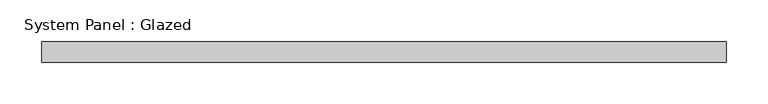
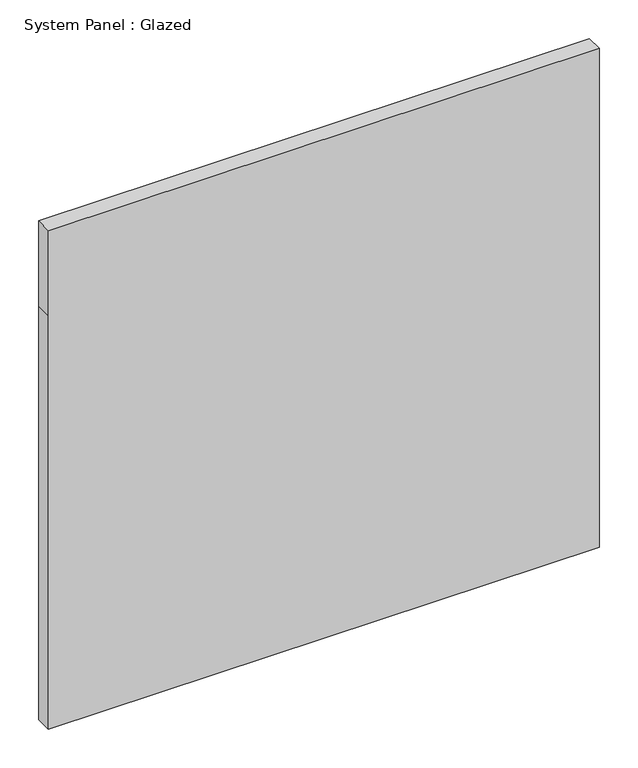
"""IFC4 building model written with IfcOpenShell, lengths in millimetres: plate geometry, System Panel : Glazed."""

from ifc_helpers import new_model, si_unit, frame, origin, place, context, project, spatial, polyline, outline, extrude, source, transform, mapped, element, save


def system_panel_glazed_92721c9d(model_context):
    return source(origin(), model_context, "Body", "SweptSolid", [
        extrude(outline(polyline([(0.0, -412.5), (0.0, 412.5), (655.0, 412.5), (790.0, 412.5), (790.0, -412.5), (655.0, -412.5), (0.0, -412.5)])), frame((0.0, -49.5, 0.0), z_axis=(0.0, 1.0, 0.0), x_axis=(0.0, 0.0, 1.0)), (0.0, 0.0, 1.0), 25.0),
    ])


if __name__ == "__main__":
    model = new_model("IFC4")
    model_context = context("Model", 3, world=origin())
    ifc_project = project(units=[si_unit("LENGTHUNIT", "METRE", prefix="MILLI")], contexts=[model_context])
    site = spatial("IfcSite", under=ifc_project)
    building = spatial("IfcBuilding", under=site)
    placement = place(None, origin())
    system_panel_glazed_shape = system_panel_glazed_92721c9d(model_context)
    element("IfcPlate", 1, ObjectType="System Panel : Glazed", at=placement, inside=building, context=model_context, shape_type="MappedRepresentation", body=[
        mapped(system_panel_glazed_shape, transform((0.0, 0.0, 0.0), x_axis=(1.0, 0.0, 0.0), y_axis=(0.0, 1.0, 0.0), z_axis=(0.0, 0.0, 1.0))),
    ])
    save(model, "model.ifc")
